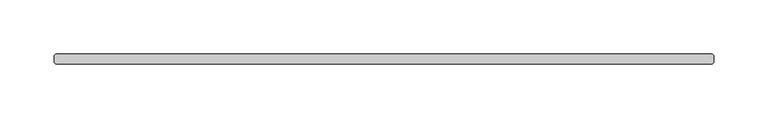
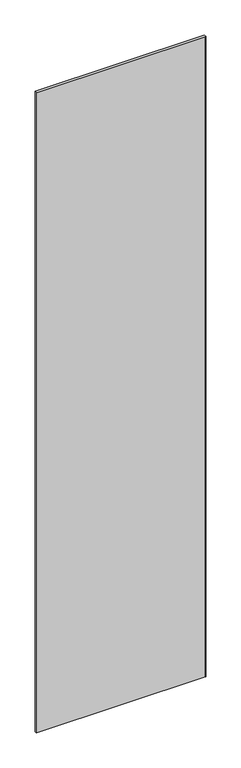
"""IFC4 building model written with IfcOpenShell, lengths in millimetres: plate geometry."""

from ifc_helpers import new_model, si_unit, origin, origin_with_axes, place, context, project, spatial, polyline, outline, extrude, source, transform, mapped, element, save


def plate_0ff64048(model_context):
    return source(origin(), model_context, "Body", "SweptSolid", [
        extrude(outline(polyline([(302.815625, -4.7625), (-302.815625, -4.7625), (-304.403125, -3.175), (-304.403125, 3.175), (-302.815625, 4.7625), (302.815625, 4.7625), (304.403125, 3.175), (304.403125, -3.175), (302.815625, -4.7625)])), origin_with_axes(), (0.0, 0.0, 1.0), 2427.1914267),
    ])


if __name__ == "__main__":
    model = new_model("IFC4")
    model_context = context("Model", 3, world=origin())
    ifc_project = project(units=[si_unit("LENGTHUNIT", "METRE", prefix="MILLI")], contexts=[model_context])
    site = spatial("IfcSite", under=ifc_project)
    building = spatial("IfcBuilding", under=site)
    placement = place(None, origin())
    plate_shape = plate_0ff64048(model_context)
    element("IfcPlate", 1, at=placement, inside=building, context=model_context, shape_type="MappedRepresentation", body=[
        mapped(plate_shape, transform((0.0, 0.0, 0.0), x_axis=(1.0, 0.0, 0.0), y_axis=(0.0, 1.0, 0.0), z_axis=(0.0, 0.0, 1.0))),
    ])
    save(model, "model.ifc")
